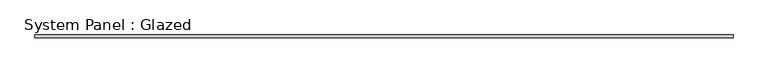
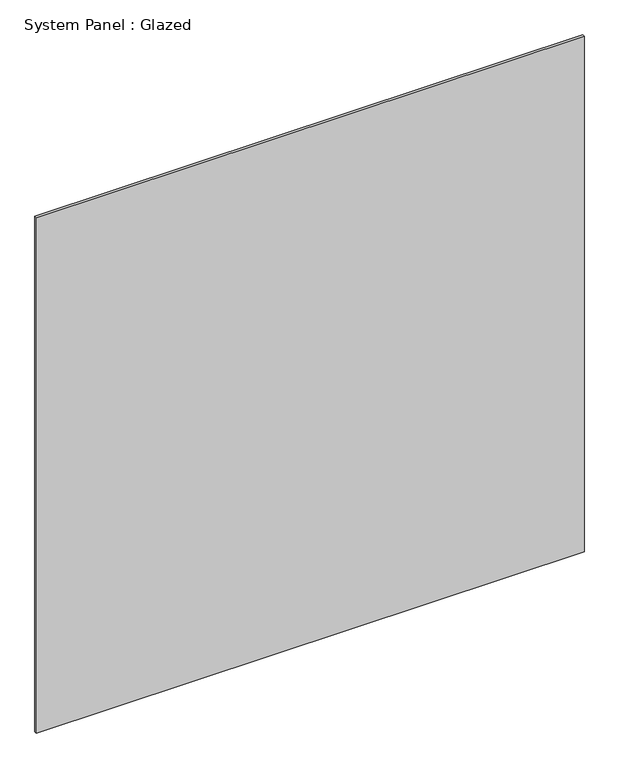
"""IFC4 building model written with IfcOpenShell, lengths in millimetres: plate geometry, System Panel : Glazed."""

from ifc_helpers import new_model, si_unit, origin, origin_with_axes, place, context, project, spatial, polyline, outline, extrude, source, transform, mapped, element, save


def system_panel_glazed_c2be340c(model_context):
    return source(origin(), model_context, "Body", "SweptSolid", [
        extrude(outline(polyline([(3016.25, 19.05), (-3016.25, 19.05), (-3016.25, 44.45), (3016.25, 44.45), (3016.25, 19.05)])), origin_with_axes(), (0.0, 0.0, 1.0), 6000.75),
    ])


if __name__ == "__main__":
    model = new_model("IFC4")
    model_context = context("Model", 3, world=origin())
    ifc_project = project(units=[si_unit("LENGTHUNIT", "METRE", prefix="MILLI")], contexts=[model_context])
    site = spatial("IfcSite", under=ifc_project)
    building = spatial("IfcBuilding", under=site)
    placement = place(None, origin())
    system_panel_glazed_shape = system_panel_glazed_c2be340c(model_context)
    element("IfcPlate", 1, ObjectType="System Panel : Glazed", at=placement, inside=building, context=model_context, shape_type="MappedRepresentation", body=[
        mapped(system_panel_glazed_shape, transform((0.0, 0.0, 0.0), x_axis=(1.0, 0.0, 0.0), y_axis=(0.0, 1.0, 0.0), z_axis=(0.0, 0.0, 1.0))),
    ])
    save(model, "model.ifc")
